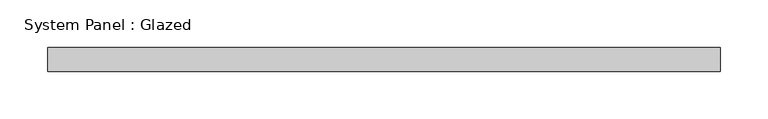
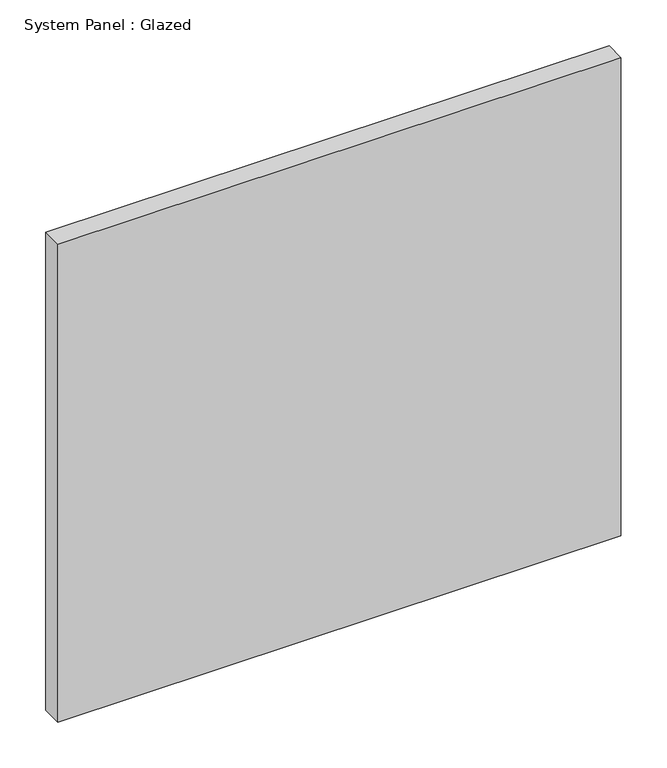
"""IFC4 building model written with IfcOpenShell, lengths in millimetres: plate geometry, System Panel : Glazed."""

from ifc_helpers import new_model, si_unit, origin, origin_with_axes, place, context, project, spatial, polyline, outline, extrude, source, transform, mapped, element, save


def system_panel_glazed_55f3f11a(model_context):
    return source(origin(), model_context, "Body", "SweptSolid", [
        extrude(outline(polyline([(353.7982214, 19.05), (-353.7982214, 19.05), (-353.7982214, 44.45), (353.7982214, 44.45), (353.7982214, 19.05)])), origin_with_axes(), (0.0, 0.0, 1.0), 635.0),
    ])


if __name__ == "__main__":
    model = new_model("IFC4")
    model_context = context("Model", 3, world=origin())
    ifc_project = project(units=[si_unit("LENGTHUNIT", "METRE", prefix="MILLI")], contexts=[model_context])
    site = spatial("IfcSite", under=ifc_project)
    building = spatial("IfcBuilding", under=site)
    placement = place(None, origin())
    system_panel_glazed_shape = system_panel_glazed_55f3f11a(model_context)
    element("IfcPlate", 1, ObjectType="System Panel : Glazed", at=placement, inside=building, context=model_context, shape_type="MappedRepresentation", body=[
        mapped(system_panel_glazed_shape, transform((0.0, 0.0, 0.0), x_axis=(1.0, 0.0, 0.0), y_axis=(0.0, 1.0, 0.0), z_axis=(0.0, 0.0, 1.0))),
    ])
    save(model, "model.ifc")
